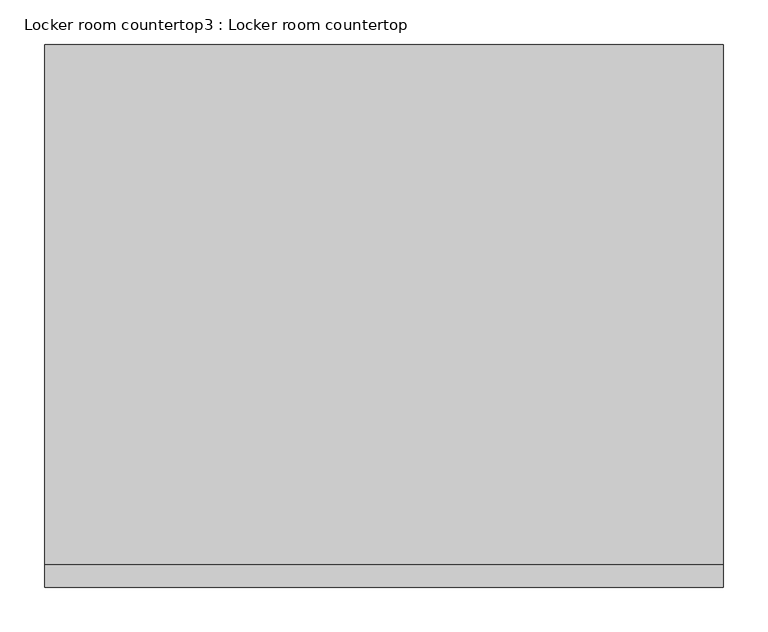
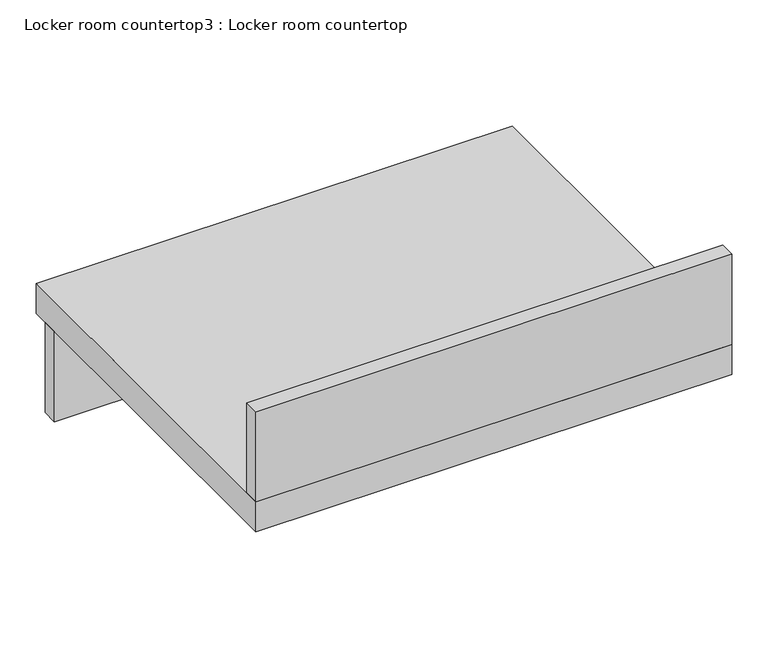
"""IFC4 building model written with IfcOpenShell, lengths in millimetres: furniture geometry, Locker room countertop3 : Locker room countertop."""

import ifcopenshell
import ifcopenshell.guid

model = None  # the IFC model being written
_history = None  # IfcOwnerHistory: only IFC2X3 demands one
_inside = {}  # id of a spatial element -> (the spatial element, [elements in it])
_under = {}  # id of a project, library or spatial element -> (it, [spatial elements below it])
_declared = {}  # id of a project -> (the project, [libraries it declares])
_typed = {}  # id of a type object -> (the type object, [elements of that type])
_made_of = {}  # id of a material, layer set ... -> (it, [elements and type objects made of it])


def new_model(schema):
    """Start an empty IFC model of exactly this schema.

    Asked for "IFC4X3", IfcOpenShell would pick the latest addendum, in which some entities
    have other attributes; the version numbers below select the first issue.
    IFC2X3 requires an IfcOwnerHistory on every rooted entity: one is made here for all.
    """
    global model, _history
    if schema == "IFC4X3":
        model = ifcopenshell.file(schema_version=(4, 3, 0, 0))
    else:
        model = ifcopenshell.file(schema=schema)
    _inside.clear()
    _under.clear()
    _declared.clear()
    _typed.clear()
    _made_of.clear()
    _history = None
    if model.schema == "IFC2X3":
        org = make("IfcOrganization", Name="unknown")
        user = make(
            "IfcPersonAndOrganization",
            ThePerson=make("IfcPerson", FamilyName="unknown"),
            TheOrganization=org,
        )
        app = make(
            "IfcApplication",
            ApplicationDeveloper=org,
            Version="unknown",
            ApplicationFullName="unknown",
            ApplicationIdentifier="unknown",
        )
        _history = make(
            "IfcOwnerHistory",
            OwningUser=user,
            OwningApplication=app,
            ChangeAction="ADDED",
            CreationDate=0,
        )
    return model


def make(cls, **values):
    """One entity of the class cls with the attributes given. An attribute that is None is left unset."""
    return model.create_entity(
        cls, **{name: value for name, value in values.items() if value is not None}
    )


def rooted(cls, **values):
    """An entity with a GlobalId (a new one), such as an element, a storey or a relation."""
    return make(cls, GlobalId=ifcopenshell.guid.new(), OwnerHistory=_history, **values)


def si_unit(unit_type, name, prefix=None):
    """IfcSIUnit, for example si_unit("LENGTHUNIT", "METRE", prefix="MILLI")."""
    return make("IfcSIUnit", UnitType=unit_type, Prefix=prefix, Name=name)


def assignment(units):
    """IfcUnitAssignment: the units of a project."""
    return None if units is None else make("IfcUnitAssignment", Units=units)


def point(xyz):
    """IfcCartesianPoint."""
    return None if xyz is None else make("IfcCartesianPoint", Coordinates=xyz)


def direction(xyz):
    """IfcDirection."""
    return None if xyz is None else make("IfcDirection", DirectionRatios=xyz)


def frame(location, z_axis=None, x_axis=None):
    """IfcAxis2Placement3D, a coordinate frame: its origin and axes. An axis left out is left unset."""
    return make(
        "IfcAxis2Placement3D",
        Location=point(location),
        Axis=direction(z_axis),
        RefDirection=direction(x_axis),
    )


def origin():
    """The frame at (0, 0, 0) with its axes left unset."""
    return frame((0.0, 0.0, 0.0))


def place(relative_to, where):
    """IfcLocalPlacement: puts the frame where relative to a parent placement (None: the world)."""
    return make(
        "IfcLocalPlacement", PlacementRelTo=relative_to, RelativePlacement=where
    )


def context(
    kind, dimensions, precision=None, world=None, true_north=None, identifier=None
):
    """IfcGeometricRepresentationContext, for example the 3D "Model" context."""
    return make(
        "IfcGeometricRepresentationContext",
        ContextIdentifier=identifier,
        ContextType=kind,
        CoordinateSpaceDimension=dimensions,
        Precision=precision,
        WorldCoordinateSystem=world,
        TrueNorth=true_north,
    )


def project(units=None, contexts=None):
    """IfcProject with its units and contexts."""
    return rooted(
        "IfcProject",
        Name="project",
        RepresentationContexts=contexts,
        UnitsInContext=assignment(units),
    )


def spatial(cls, under=None, at=None, **own):
    """A site, building, storey or space (cls), placed at a placement, below another one or the project."""
    s = rooted(cls, ObjectPlacement=at, **own)
    if under is not None:
        _under.setdefault(under.id(), (under, []))[1].append(s)
    return s


def polyline(points):
    """IfcPolyline through the points."""
    return make("IfcPolyline", Points=[point(p) for p in points])


def outline(outer, holes=None, kind="AREA"):
    """IfcArbitraryClosedProfileDef: a profile drawn as a closed curve; with holes, ...WithVoids."""
    if holes is None:
        return make("IfcArbitraryClosedProfileDef", ProfileType=kind, OuterCurve=outer)
    return make(
        "IfcArbitraryProfileDefWithVoids",
        ProfileType=kind,
        OuterCurve=outer,
        InnerCurves=holes,
    )


def extrude(swept, where, along, depth):
    """IfcExtrudedAreaSolid: the profile swept, set in the frame where, extruded along a direction by depth."""
    return make(
        "IfcExtrudedAreaSolid",
        SweptArea=swept,
        Position=where,
        ExtrudedDirection=direction(along),
        Depth=depth,
    )


def shape(context_of_items, identifier, shape_type, items):
    """IfcShapeRepresentation: the items that make up one representation, for example the "Body"."""
    return make(
        "IfcShapeRepresentation",
        ContextOfItems=context_of_items,
        RepresentationIdentifier=identifier,
        RepresentationType=shape_type,
        Items=items,
    )


def source(mapping_origin, context_of_items, identifier, shape_type, items):
    """IfcRepresentationMap: a shape defined once, which mapped items show again and again."""
    return make(
        "IfcRepresentationMap",
        MappingOrigin=mapping_origin,
        MappedRepresentation=shape(context_of_items, identifier, shape_type, items),
    )


def transform(
    local_origin,
    x_axis=None,
    y_axis=None,
    z_axis=None,
    scale=None,
    scale2=None,
    scale3=None,
    uniform=True,
):
    """IfcCartesianTransformationOperator3D, or its non-uniform kind. x_axis, y_axis, z_axis: its Axis1, 2, 3."""
    if uniform:
        return make(
            "IfcCartesianTransformationOperator3D",
            Axis1=direction(x_axis),
            Axis2=direction(y_axis),
            LocalOrigin=point(local_origin),
            Scale=scale,
            Axis3=direction(z_axis),
        )
    return make(
        "IfcCartesianTransformationOperator3DnonUniform",
        Axis1=direction(x_axis),
        Axis2=direction(y_axis),
        LocalOrigin=point(local_origin),
        Scale=scale,
        Axis3=direction(z_axis),
        Scale2=scale2,
        Scale3=scale3,
    )


def mapped(mapping_source, mapping_target):
    """IfcMappedItem: shows the shape of a source again, moved by a transform."""
    return make(
        "IfcMappedItem", MappingSource=mapping_source, MappingTarget=mapping_target
    )


def made_of(thing, what):
    """Note that an element or type object is made of a material, layer set ...; save() writes the relation."""
    if what is not None:
        _made_of.setdefault(what.id(), (what, []))[1].append(thing)
    return thing


def element(
    cls,
    number,
    at=None,
    inside=None,
    cuts=None,
    type_object=None,
    material=None,
    context=None,
    identifier="Body",
    shape_type=None,
    held_by="IfcProductDefinitionShape",
    body=None,
    shapes=None,
    **own,
):
    """One element of the class cls, such as IfcWall. Its Tag is "e" and its number.

    at: its placement. inside: the storey or other place that contains it. cuts: it is an
    opening in that element (IfcRelVoidsElement). A single representation is given by context,
    identifier, shape_type and body (its items); several are given by shapes. held_by: the class
    of the entity that holds the representations. save() writes the other relations.
    """
    e = rooted(cls, Tag="e%d" % number, ObjectPlacement=at, **own)
    if body is not None:
        shapes = [shape(context, identifier, shape_type, body)]
    if shapes is not None:
        e.Representation = make(held_by, Representations=shapes)
    if inside is not None:
        _inside.setdefault(inside.id(), (inside, []))[1].append(e)
    if cuts is not None:
        rooted(
            "IfcRelVoidsElement", RelatingBuildingElement=cuts, RelatedOpeningElement=e
        )
    if type_object is not None:
        _typed.setdefault(type_object.id(), (type_object, []))[1].append(e)
    return made_of(e, material)


def aggregate(whole, parts):
    """IfcRelAggregates: a whole, such as a stair, and the parts it consists of."""
    return rooted("IfcRelAggregates", RelatingObject=whole, RelatedObjects=parts)


def save(model, path):
    """Write the relations noted so far, then the file.

    IfcRelAggregates (storeys below a building ...), IfcRelContainedInSpatialStructure (elements
    in a storey), IfcRelDefinesByType, IfcRelAssociatesMaterial and IfcRelDeclares: one each for
    every whole, place, type object, material and project.
    """
    for whole, parts in _under.values():
        aggregate(whole, parts)
    for where, things in _inside.values():
        rooted(
            "IfcRelContainedInSpatialStructure",
            RelatedElements=things,
            RelatingStructure=where,
        )
    for kind, things in _typed.values():
        rooted("IfcRelDefinesByType", RelatedObjects=things, RelatingType=kind)
    for what, things in _made_of.values():
        rooted("IfcRelAssociatesMaterial", RelatedObjects=things, RelatingMaterial=what)
    for by, libraries in _declared.values():
        rooted("IfcRelDeclares", RelatingContext=by, RelatedDefinitions=libraries)
    model.write(path)


def locker_room_countertop3_locker_room_countertop_ba42aac9(model_context):
    return source(origin(), model_context, "Body", "SweptSolid", [
        extrude(outline(polyline([(296185.6625429, -545218.6553829), (296185.6625429, -545244.0553829), (295423.6625429, -545244.0553829), (295423.6625429, -545218.6553829), (296185.6625429, -545218.6553829)])), frame((0.0, 0.0, 660.4), z_axis=(0.0, 0.0, 1.0), x_axis=(1.0, 0.0, 0.0)), (0.0, 0.0, 1.0), 152.4),
        extrude(outline(polyline([(295423.6625429, -545777.4553829), (296185.6625429, -545777.4553829), (296185.6625429, -545802.8553829), (295423.6625429, -545802.8553829), (295423.6625429, -545777.4553829)])), frame((0.0, 0.0, 863.6), z_axis=(0.0, 0.0, 1.0), x_axis=(1.0, 0.0, 0.0)), (0.0, 0.0, 1.0), 152.4),
        extrude(outline(polyline([(295423.6625429, -545193.2553829), (296185.6625429, -545193.2553829), (296185.6625429, -545802.8553829), (295423.6625429, -545802.8553829), (295423.6625429, -545193.2553829)])), frame((0.0, 0.0, 812.8), z_axis=(0.0, 0.0, 1.0), x_axis=(1.0, 0.0, 0.0)), (0.0, 0.0, 1.0), 50.8),
    ])


if __name__ == "__main__":
    model = new_model("IFC4")
    model_context = context("Model", 3, world=origin())
    ifc_project = project(units=[si_unit("LENGTHUNIT", "METRE", prefix="MILLI")], contexts=[model_context])
    site = spatial("IfcSite", under=ifc_project)
    building = spatial("IfcBuilding", under=site)
    placement = place(None, origin())
    locker_room_countertop3_locker_room_countertop_shape = locker_room_countertop3_locker_room_countertop_ba42aac9(model_context)
    element("IfcFurniture", 1, ObjectType="Locker room countertop3 : Locker room countertop", at=placement, inside=building, context=model_context, shape_type="MappedRepresentation", body=[
        mapped(locker_room_countertop3_locker_room_countertop_shape, transform((0.0, 0.0, 0.0), x_axis=(1.0, 0.0, 0.0), y_axis=(0.0, 1.0, 0.0), z_axis=(0.0, 0.0, 1.0))),
    ])
    save(model, "model.ifc")
